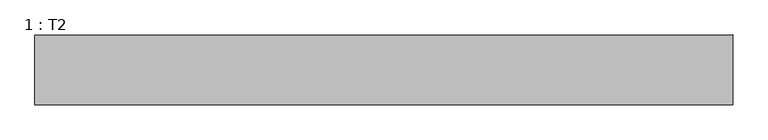
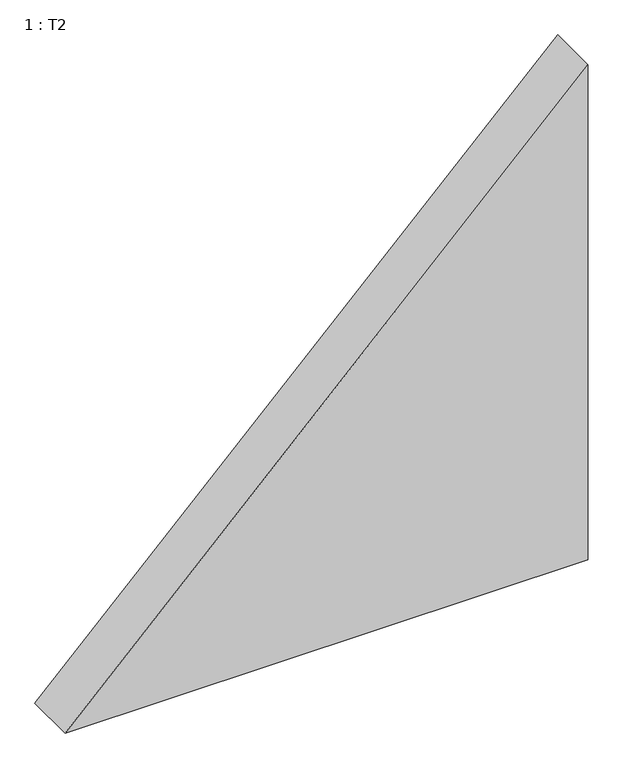
"""IFC4 building model written with IfcOpenShell, lengths in millimetres: proxy geometry, 1 : T2."""

import ifcopenshell
import ifcopenshell.guid

model = None  # the IFC model being written
_history = None  # IfcOwnerHistory: only IFC2X3 demands one
_inside = {}  # id of a spatial element -> (the spatial element, [elements in it])
_under = {}  # id of a project, library or spatial element -> (it, [spatial elements below it])
_declared = {}  # id of a project -> (the project, [libraries it declares])
_typed = {}  # id of a type object -> (the type object, [elements of that type])
_made_of = {}  # id of a material, layer set ... -> (it, [elements and type objects made of it])


def new_model(schema):
    """Start an empty IFC model of exactly this schema.

    Asked for "IFC4X3", IfcOpenShell would pick the latest addendum, in which some entities
    have other attributes; the version numbers below select the first issue.
    IFC2X3 requires an IfcOwnerHistory on every rooted entity: one is made here for all.
    """
    global model, _history
    if schema == "IFC4X3":
        model = ifcopenshell.file(schema_version=(4, 3, 0, 0))
    else:
        model = ifcopenshell.file(schema=schema)
    _inside.clear()
    _under.clear()
    _declared.clear()
    _typed.clear()
    _made_of.clear()
    _history = None
    if model.schema == "IFC2X3":
        org = make("IfcOrganization", Name="unknown")
        user = make(
            "IfcPersonAndOrganization",
            ThePerson=make("IfcPerson", FamilyName="unknown"),
            TheOrganization=org,
        )
        app = make(
            "IfcApplication",
            ApplicationDeveloper=org,
            Version="unknown",
            ApplicationFullName="unknown",
            ApplicationIdentifier="unknown",
        )
        _history = make(
            "IfcOwnerHistory",
            OwningUser=user,
            OwningApplication=app,
            ChangeAction="ADDED",
            CreationDate=0,
        )
    return model


def make(cls, **values):
    """One entity of the class cls with the attributes given. An attribute that is None is left unset."""
    return model.create_entity(
        cls, **{name: value for name, value in values.items() if value is not None}
    )


def rooted(cls, **values):
    """An entity with a GlobalId (a new one), such as an element, a storey or a relation."""
    return make(cls, GlobalId=ifcopenshell.guid.new(), OwnerHistory=_history, **values)


def si_unit(unit_type, name, prefix=None):
    """IfcSIUnit, for example si_unit("LENGTHUNIT", "METRE", prefix="MILLI")."""
    return make("IfcSIUnit", UnitType=unit_type, Prefix=prefix, Name=name)


def assignment(units):
    """IfcUnitAssignment: the units of a project."""
    return None if units is None else make("IfcUnitAssignment", Units=units)


def point(xyz):
    """IfcCartesianPoint."""
    return None if xyz is None else make("IfcCartesianPoint", Coordinates=xyz)


def direction(xyz):
    """IfcDirection."""
    return None if xyz is None else make("IfcDirection", DirectionRatios=xyz)


def frame(location, z_axis=None, x_axis=None):
    """IfcAxis2Placement3D, a coordinate frame: its origin and axes. An axis left out is left unset."""
    return make(
        "IfcAxis2Placement3D",
        Location=point(location),
        Axis=direction(z_axis),
        RefDirection=direction(x_axis),
    )


def origin():
    """The frame at (0, 0, 0) with its axes left unset."""
    return frame((0.0, 0.0, 0.0))


def place(relative_to, where):
    """IfcLocalPlacement: puts the frame where relative to a parent placement (None: the world)."""
    return make(
        "IfcLocalPlacement", PlacementRelTo=relative_to, RelativePlacement=where
    )


def context(
    kind, dimensions, precision=None, world=None, true_north=None, identifier=None
):
    """IfcGeometricRepresentationContext, for example the 3D "Model" context."""
    return make(
        "IfcGeometricRepresentationContext",
        ContextIdentifier=identifier,
        ContextType=kind,
        CoordinateSpaceDimension=dimensions,
        Precision=precision,
        WorldCoordinateSystem=world,
        TrueNorth=true_north,
    )


def project(units=None, contexts=None):
    """IfcProject with its units and contexts."""
    return rooted(
        "IfcProject",
        Name="project",
        RepresentationContexts=contexts,
        UnitsInContext=assignment(units),
    )


def spatial(cls, under=None, at=None, **own):
    """A site, building, storey or space (cls), placed at a placement, below another one or the project."""
    s = rooted(cls, ObjectPlacement=at, **own)
    if under is not None:
        _under.setdefault(under.id(), (under, []))[1].append(s)
    return s


def polyline(points):
    """IfcPolyline through the points."""
    return make("IfcPolyline", Points=[point(p) for p in points])


def outline(outer, holes=None, kind="AREA"):
    """IfcArbitraryClosedProfileDef: a profile drawn as a closed curve; with holes, ...WithVoids."""
    if holes is None:
        return make("IfcArbitraryClosedProfileDef", ProfileType=kind, OuterCurve=outer)
    return make(
        "IfcArbitraryProfileDefWithVoids",
        ProfileType=kind,
        OuterCurve=outer,
        InnerCurves=holes,
    )


def extrude(swept, where, along, depth):
    """IfcExtrudedAreaSolid: the profile swept, set in the frame where, extruded along a direction by depth."""
    return make(
        "IfcExtrudedAreaSolid",
        SweptArea=swept,
        Position=where,
        ExtrudedDirection=direction(along),
        Depth=depth,
    )


def shape(context_of_items, identifier, shape_type, items):
    """IfcShapeRepresentation: the items that make up one representation, for example the "Body"."""
    return make(
        "IfcShapeRepresentation",
        ContextOfItems=context_of_items,
        RepresentationIdentifier=identifier,
        RepresentationType=shape_type,
        Items=items,
    )


def source(mapping_origin, context_of_items, identifier, shape_type, items):
    """IfcRepresentationMap: a shape defined once, which mapped items show again and again."""
    return make(
        "IfcRepresentationMap",
        MappingOrigin=mapping_origin,
        MappedRepresentation=shape(context_of_items, identifier, shape_type, items),
    )


def transform(
    local_origin,
    x_axis=None,
    y_axis=None,
    z_axis=None,
    scale=None,
    scale2=None,
    scale3=None,
    uniform=True,
):
    """IfcCartesianTransformationOperator3D, or its non-uniform kind. x_axis, y_axis, z_axis: its Axis1, 2, 3."""
    if uniform:
        return make(
            "IfcCartesianTransformationOperator3D",
            Axis1=direction(x_axis),
            Axis2=direction(y_axis),
            LocalOrigin=point(local_origin),
            Scale=scale,
            Axis3=direction(z_axis),
        )
    return make(
        "IfcCartesianTransformationOperator3DnonUniform",
        Axis1=direction(x_axis),
        Axis2=direction(y_axis),
        LocalOrigin=point(local_origin),
        Scale=scale,
        Axis3=direction(z_axis),
        Scale2=scale2,
        Scale3=scale3,
    )


def mapped(mapping_source, mapping_target):
    """IfcMappedItem: shows the shape of a source again, moved by a transform."""
    return make(
        "IfcMappedItem", MappingSource=mapping_source, MappingTarget=mapping_target
    )


def made_of(thing, what):
    """Note that an element or type object is made of a material, layer set ...; save() writes the relation."""
    if what is not None:
        _made_of.setdefault(what.id(), (what, []))[1].append(thing)
    return thing


def element(
    cls,
    number,
    at=None,
    inside=None,
    cuts=None,
    type_object=None,
    material=None,
    context=None,
    identifier="Body",
    shape_type=None,
    held_by="IfcProductDefinitionShape",
    body=None,
    shapes=None,
    **own,
):
    """One element of the class cls, such as IfcWall. Its Tag is "e" and its number.

    at: its placement. inside: the storey or other place that contains it. cuts: it is an
    opening in that element (IfcRelVoidsElement). A single representation is given by context,
    identifier, shape_type and body (its items); several are given by shapes. held_by: the class
    of the entity that holds the representations. save() writes the other relations.
    """
    e = rooted(cls, Tag="e%d" % number, ObjectPlacement=at, **own)
    if body is not None:
        shapes = [shape(context, identifier, shape_type, body)]
    if shapes is not None:
        e.Representation = make(held_by, Representations=shapes)
    if inside is not None:
        _inside.setdefault(inside.id(), (inside, []))[1].append(e)
    if cuts is not None:
        rooted(
            "IfcRelVoidsElement", RelatingBuildingElement=cuts, RelatedOpeningElement=e
        )
    if type_object is not None:
        _typed.setdefault(type_object.id(), (type_object, []))[1].append(e)
    return made_of(e, material)


def aggregate(whole, parts):
    """IfcRelAggregates: a whole, such as a stair, and the parts it consists of."""
    return rooted("IfcRelAggregates", RelatingObject=whole, RelatedObjects=parts)


def save(model, path):
    """Write the relations noted so far, then the file.

    IfcRelAggregates (storeys below a building ...), IfcRelContainedInSpatialStructure (elements
    in a storey), IfcRelDefinesByType, IfcRelAssociatesMaterial and IfcRelDeclares: one each for
    every whole, place, type object, material and project.
    """
    for whole, parts in _under.values():
        aggregate(whole, parts)
    for where, things in _inside.values():
        rooted(
            "IfcRelContainedInSpatialStructure",
            RelatedElements=things,
            RelatingStructure=where,
        )
    for kind, things in _typed.values():
        rooted("IfcRelDefinesByType", RelatedObjects=things, RelatingType=kind)
    for what, things in _made_of.values():
        rooted("IfcRelAssociatesMaterial", RelatedObjects=things, RelatingMaterial=what)
    for by, libraries in _declared.values():
        rooted("IfcRelDeclares", RelatingContext=by, RelatedDefinitions=libraries)
    model.write(path)


def proxy_1_t2_29e42132(model_context):
    return source(origin(), model_context, "Body", "SweptSolid", [
        extrude(outline(polyline([(1000.0, 0.0), (0.0, -1000.0), (0.0, 0.0), (1000.0, 0.0)])), frame((0.0, -100.0, 0.0), z_axis=(0.0, 1.0, 0.0), x_axis=(0.0, 0.0, 1.0)), (0.0, 0.0, 1.0), 100.0),
    ])


if __name__ == "__main__":
    model = new_model("IFC4")
    model_context = context("Model", 3, world=origin())
    ifc_project = project(units=[si_unit("LENGTHUNIT", "METRE", prefix="MILLI")], contexts=[model_context])
    site = spatial("IfcSite", under=ifc_project)
    building = spatial("IfcBuilding", under=site)
    placement = place(None, origin())
    proxy_1_t2_shape = proxy_1_t2_29e42132(model_context)
    element("IfcBuildingElementProxy", 1, Name="1 : T2", ObjectType="1 : T2", at=placement, inside=building, context=model_context, shape_type="MappedRepresentation", body=[
        mapped(proxy_1_t2_shape, transform((0.0, 0.0, 0.0), x_axis=(1.0, 0.0, 0.0), y_axis=(0.0, 1.0, 0.0), z_axis=(0.0, 0.0, 1.0))),
    ])
    save(model, "model.ifc")
